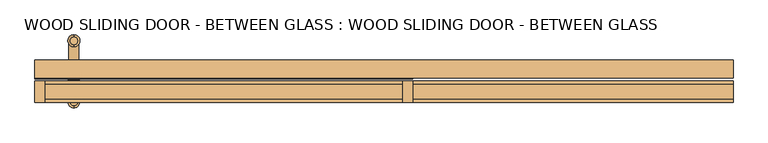
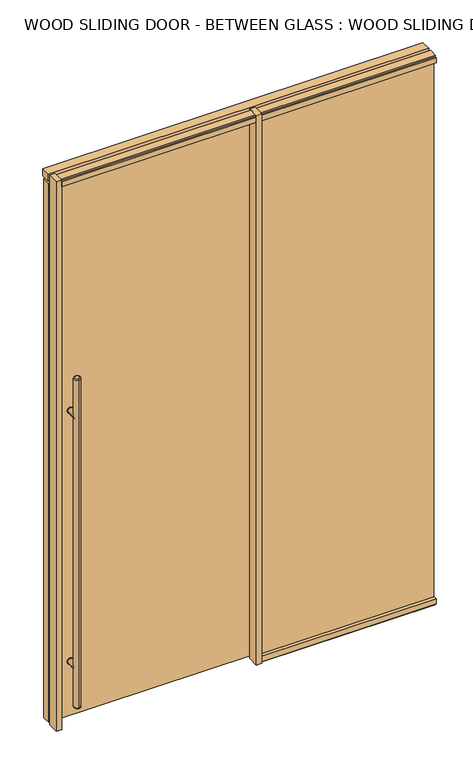
"""IFC4 building model written with IfcOpenShell, lengths in millimetres: door geometry, WOOD SLIDING DOOR - BETWEEN GLASS : WOOD SLIDING DOOR - BETWEEN GLASS."""

from ifc_helpers import new_model, si_unit, point, frame, frame_2d, origin, origin_with_axes, place, context, project, spatial, polyline, circle_curve, ellipse_curve, trimmed, segment, composite_curve, outline, extrude, source, transform, mapped, element, save
from ifc_brep_helpers import plane_surface, cylinder_surface, revolved_surface, advanced_brep


def wood_sliding_door_between_glass_wood_sliding_door_between_65491f90(model_context):
    return source(origin(), model_context, "Body", "SolidModel", [
        extrude(outline(composite_curve([segment(trimmed(circle_curve(frame_2d((312.7375, -885.825)), 15.875), [point((312.7375, -901.7))], [point((312.7375, -869.95))], False, "CARTESIAN"), True, "CONTINUOUS"), segment(trimmed(circle_curve(frame_2d((312.7375, -885.825)), 15.875), [point((312.7375, -869.95))], [point((312.7375, -901.7))], False, "CARTESIAN"), True, "CONTINUOUS")], self_intersect=False)), frame((0.0, 33.3375, 0.0), z_axis=(0.0, 1.0, 0.0), x_axis=(0.0, 0.0, 1.0)), (0.0, 0.0, 1.0), 3.175),
        extrude(outline(composite_curve([segment(trimmed(circle_curve(frame_2d((1703.3875, -885.825)), 15.875), [point((1703.3875, -869.95))], [point((1703.3875, -901.7))], False, "CARTESIAN"), True, "CONTINUOUS"), segment(trimmed(circle_curve(frame_2d((1703.3875, -885.825)), 15.875), [point((1703.3875, -901.7))], [point((1703.3875, -869.95))], False, "CARTESIAN"), True, "CONTINUOUS")], self_intersect=False)), frame((0.0, 33.3375, 0.0), z_axis=(0.0, 1.0, 0.0), x_axis=(0.0, 0.0, 1.0)), (0.0, 0.0, 1.0), 3.175),
        extrude(outline(composite_curve([segment(trimmed(circle_curve(frame_2d((312.7375, -885.825)), 15.875), [point((312.7375, -901.7))], [point((312.7375, -869.95))], False, "CARTESIAN"), True, "CONTINUOUS"), segment(trimmed(circle_curve(frame_2d((312.7375, -885.825)), 15.875), [point((312.7375, -869.95))], [point((312.7375, -901.7))], False, "CARTESIAN"), True, "CONTINUOUS")], self_intersect=False)), frame((0.0, 80.9625, 0.0), z_axis=(0.0, 1.0, 0.0), x_axis=(0.0, 0.0, 1.0)), (0.0, 0.0, 1.0), 3.175),
        extrude(outline(composite_curve([segment(trimmed(circle_curve(frame_2d((1703.3875, -885.825)), 15.875), [point((1703.3875, -901.7))], [point((1703.3875, -869.95))], False, "CARTESIAN"), True, "CONTINUOUS"), segment(trimmed(circle_curve(frame_2d((1703.3875, -885.825)), 15.875), [point((1703.3875, -869.95))], [point((1703.3875, -901.7))], False, "CARTESIAN"), True, "CONTINUOUS")], self_intersect=False)), frame((0.0, 80.9625, 0.0), z_axis=(0.0, 1.0, 0.0), x_axis=(0.0, 0.0, 1.0)), (0.0, 0.0, 1.0), 3.175),
        extrude(outline(composite_curve([segment(trimmed(circle_curve(frame_2d((312.7375, -885.825)), 14.2875), [point((312.7375, -871.5375))], [point((312.7375, -900.1125))], False, "CARTESIAN"), True, "CONTINUOUS"), segment(trimmed(circle_curve(frame_2d((312.7375, -885.825)), 14.2875), [point((312.7375, -900.1125))], [point((312.7375, -871.5375))], False, "CARTESIAN"), True, "CONTINUOUS")], self_intersect=False)), frame((0.0, 80.9625, 0.0), z_axis=(0.0, 1.0, 0.0), x_axis=(0.0, 0.0, 1.0)), (0.0, 0.0, 1.0), 65.0875),
        extrude(outline(composite_curve([segment(trimmed(circle_curve(frame_2d((1703.3875, -885.825)), 14.2875), [point((1703.3875, -871.5375))], [point((1703.3875, -900.1125))], False, "CARTESIAN"), True, "CONTINUOUS"), segment(trimmed(circle_curve(frame_2d((1703.3875, -885.825)), 14.2875), [point((1703.3875, -900.1125))], [point((1703.3875, -871.5375))], False, "CARTESIAN"), True, "CONTINUOUS")], self_intersect=False)), frame((0.0, 80.9625, 0.0), z_axis=(0.0, 1.0, 0.0), x_axis=(0.0, 0.0, 1.0)), (0.0, 0.0, 1.0), 65.0875),
        advanced_brep(
        [(-885.825, -17.78, 1924.05), (-885.825, -39.37, 1924.05), (-885.825, -39.37, 95.25), (-885.825, -17.78, 95.25), (-885.825, -45.72, 101.6), (-885.825, -11.43, 101.6), (-885.825, -11.43, 1917.7), (-885.825, -45.72, 1917.7)],
        [
            (0, 1, circle_curve(frame((-885.825, -28.575, 1924.05), z_axis=(0.0, 0.0, 1.0), x_axis=(0.0, 1.0, 0.0)), 10.795)),
            (1, 0, circle_curve(frame((-885.825, -28.575, 1924.05), z_axis=(0.0, 0.0, 1.0), x_axis=(0.0, 1.0, 0.0)), 10.795)),
            (2, 3, circle_curve(frame((-885.825, -28.575, 95.25), z_axis=(0.0, 0.0, -1.0), x_axis=(0.0, 1.0, 0.0)), 10.795)),
            (3, 2, circle_curve(frame((-885.825, -28.575, 95.25), z_axis=(0.0, 0.0, -1.0), x_axis=(0.0, 1.0, 0.0)), 10.795)),
            (4, 5, circle_curve(frame((-885.825, -28.575, 101.6), z_axis=(0.0, 0.0, 1.0), x_axis=(0.0, 1.0, 0.0)), 17.145)),
            (5, 6),
            (6, 7, circle_curve(frame((-885.825, -28.575, 1917.7), z_axis=(0.0, 0.0, -1.0), x_axis=(0.0, 1.0, 0.0)), 17.145)),
            (7, 4),
            (5, 4, circle_curve(frame((-885.825, -28.575, 101.6), z_axis=(0.0, 0.0, 1.0), x_axis=(0.0, 1.0, 0.0)), 17.145)),
            (7, 6, circle_curve(frame((-885.825, -28.575, 1917.7), z_axis=(0.0, 0.0, -1.0), x_axis=(0.0, 1.0, 0.0)), 17.145)),
            (2, 4, circle_curve(frame((-885.825, -39.37, 101.6), z_axis=(-1.0, 0.0, 0.0), x_axis=(0.0, -1.0, 0.0)), 6.35)),
            (5, 3, circle_curve(frame((-885.825, -17.78, 101.6), z_axis=(-1.0, 0.0, 0.0), x_axis=(0.0, 1.0, 0.0)), 6.35)),
            (7, 1, circle_curve(frame((-885.825, -39.37, 1917.7), z_axis=(-1.0, 0.0, 0.0), x_axis=(0.0, -1.0, 0.0)), 6.35)),
            (0, 6, circle_curve(frame((-885.825, -17.78, 1917.7), z_axis=(-1.0, 0.0, 0.0), x_axis=(0.0, 1.0, 0.0)), 6.35)),
        ],
        [
            plane_surface(frame((-885.825, 163.195, 1924.05), z_axis=(0.0, 0.0, 1.0), x_axis=(-1.0, 0.0, 0.0))),
            plane_surface(frame((-885.825, 163.195, 95.25), z_axis=(0.0, 0.0, -1.0), x_axis=(1.0, 0.0, 0.0))),
            cylinder_surface(frame((-885.825, -28.575, 95.25), z_axis=(0.0, 0.0, 1.0), x_axis=(0.0, 1.0, 0.0)), 17.145),
            revolved_surface(trimmed(ellipse_curve(frame((-885.825, -17.78, 101.6), z_axis=(1.0, 0.0, 0.0), x_axis=(0.0, 1.0, 0.0)), 6.35, 6.35), [point((-885.825, -17.78, 95.25))], [point((-885.825, -11.43, 101.6))], True, "CARTESIAN"), (-885.825, -28.575, 2533.65), (0.0, 0.0, 1.0)),
            revolved_surface(trimmed(ellipse_curve(frame((-885.825, -17.78, 1917.7), z_axis=(1.0, 0.0, 0.0), x_axis=(0.0, 1.0, 0.0)), 6.35, 6.35), [point((-885.825, -11.43, 1917.7))], [point((-885.825, -17.78, 1924.05))], True, "CARTESIAN"), (-885.825, -28.575, -514.35), (0.0, 0.0, 1.0)),
        ],
        [
            (0, [[1, 2]]),
            (1, [[3, 4]]),
            (2, [[5, 6, 7, 8]]),
            (2, [[9, -8, 10, -6]]),
            (3, [[11, -9, 12, -3]]),
            (3, [[-11, -4, -12, -5]]),
            (4, [[13, -1, 14, -10]]),
            (4, [[-13, -7, -14, -2]]),
        ],
    ),
        advanced_brep(
        [(-885.825, 156.845, 1924.05), (-885.825, 135.255, 1924.05), (-885.825, 135.255, 95.25), (-885.825, 156.845, 95.25), (-885.825, 128.905, 101.6), (-885.825, 163.195, 101.6), (-885.825, 163.195, 1917.7), (-885.825, 128.905, 1917.7)],
        [
            (0, 1, circle_curve(frame((-885.825, 146.05, 1924.05), z_axis=(0.0, 0.0, 1.0), x_axis=(0.0, -1.0, 0.0)), 10.795)),
            (1, 0, circle_curve(frame((-885.825, 146.05, 1924.05), z_axis=(0.0, 0.0, 1.0), x_axis=(0.0, -1.0, 0.0)), 10.795)),
            (2, 3, circle_curve(frame((-885.825, 146.05, 95.25), z_axis=(0.0, 0.0, -1.0), x_axis=(0.0, -1.0, 0.0)), 10.795)),
            (3, 2, circle_curve(frame((-885.825, 146.05, 95.25), z_axis=(0.0, 0.0, -1.0), x_axis=(0.0, -1.0, 0.0)), 10.795)),
            (4, 5, circle_curve(frame((-885.825, 146.05, 101.6), z_axis=(0.0, 0.0, 1.0), x_axis=(0.0, 1.0, 0.0)), 17.145)),
            (5, 6),
            (6, 7, circle_curve(frame((-885.825, 146.05, 1917.7), z_axis=(0.0, 0.0, -1.0), x_axis=(0.0, 1.0, 0.0)), 17.145)),
            (7, 4),
            (5, 4, circle_curve(frame((-885.825, 146.05, 101.6), z_axis=(0.0, 0.0, 1.0), x_axis=(0.0, 1.0, 0.0)), 17.145)),
            (7, 6, circle_curve(frame((-885.825, 146.05, 1917.7), z_axis=(0.0, 0.0, -1.0), x_axis=(0.0, 1.0, 0.0)), 17.145)),
            (5, 3, circle_curve(frame((-885.825, 156.845, 101.6), z_axis=(-1.0, 0.0, 0.0), x_axis=(0.0, 1.0, 0.0)), 6.35)),
            (2, 4, circle_curve(frame((-885.825, 135.255, 101.6), z_axis=(-1.0, 0.0, 0.0), x_axis=(0.0, -1.0, 0.0)), 6.35)),
            (0, 6, circle_curve(frame((-885.825, 156.845, 1917.7), z_axis=(-1.0, 0.0, 0.0), x_axis=(0.0, 1.0, 0.0)), 6.35)),
            (7, 1, circle_curve(frame((-885.825, 135.255, 1917.7), z_axis=(-1.0, 0.0, 0.0), x_axis=(0.0, -1.0, 0.0)), 6.35)),
        ],
        [
            plane_surface(frame((-885.825, 163.195, 1924.05), z_axis=(0.0, 0.0, 1.0), x_axis=(-1.0, 0.0, 0.0))),
            plane_surface(frame((-885.825, 163.195, 95.25), z_axis=(0.0, 0.0, -1.0), x_axis=(1.0, 0.0, 0.0))),
            cylinder_surface(frame((-885.825, 146.05, 95.25), z_axis=(0.0, 0.0, 1.0), x_axis=(0.0, 1.0, 0.0)), 17.145),
            revolved_surface(trimmed(ellipse_curve(frame((-885.825, 135.255, 101.6), z_axis=(1.0, 0.0, 0.0), x_axis=(0.0, -1.0, 0.0)), 6.35, 6.35), [point((-885.825, 128.905, 101.6))], [point((-885.825, 135.255, 95.25))], True, "CARTESIAN"), (-885.825, 146.05, 2533.65), (0.0, 0.0, -1.0)),
            revolved_surface(trimmed(ellipse_curve(frame((-885.825, 135.255, 1917.7), z_axis=(1.0, 0.0, 0.0), x_axis=(0.0, -1.0, 0.0)), 6.35, 6.35), [point((-885.825, 135.255, 1924.05))], [point((-885.825, 128.905, 1917.7))], True, "CARTESIAN"), (-885.825, 146.05, -514.35), (0.0, 0.0, -1.0)),
        ],
        [
            (0, [[1, 2]]),
            (1, [[3, 4]]),
            (2, [[5, 6, 7, 8]]),
            (2, [[9, -8, 10, -6]]),
            (3, [[11, -3, 12, -9]]),
            (3, [[-11, -5, -12, -4]]),
            (4, [[13, -10, 14, -1]]),
            (4, [[-13, -2, -14, -7]]),
        ],
    ),
        extrude(outline(composite_curve([segment(trimmed(circle_curve(frame_2d((312.7375, -885.825)), 14.2875), [point((312.7375, -871.5375))], [point((312.7375, -900.1125))], False, "CARTESIAN"), True, "CONTINUOUS"), segment(trimmed(circle_curve(frame_2d((312.7375, -885.825)), 14.2875), [point((312.7375, -900.1125))], [point((312.7375, -871.5375))], False, "CARTESIAN"), True, "CONTINUOUS")], self_intersect=False)), frame((0.0, -28.575, 0.0), z_axis=(0.0, 1.0, 0.0), x_axis=(0.0, 0.0, 1.0)), (0.0, 0.0, 1.0), 65.0875),
        extrude(outline(composite_curve([segment(trimmed(circle_curve(frame_2d((1703.3875, -885.825)), 14.2875), [point((1703.3875, -871.5375))], [point((1703.3875, -900.1125))], False, "CARTESIAN"), True, "CONTINUOUS"), segment(trimmed(circle_curve(frame_2d((1703.3875, -885.825)), 14.2875), [point((1703.3875, -900.1125))], [point((1703.3875, -871.5375))], False, "CARTESIAN"), True, "CONTINUOUS")], self_intersect=False)), frame((0.0, -28.575, 0.0), z_axis=(0.0, 1.0, 0.0), x_axis=(0.0, 0.0, 1.0)), (0.0, 0.0, 1.0), 65.0875),
        extrude(outline(polyline([(996.95, 6.35), (996.95, -6.35), (82.5231001, -6.35), (82.5231001, 6.35), (996.95, 6.35)])), origin_with_axes(), (0.0, 0.0, 1.0), 3044.825),
        extrude(outline(polyline([(82.5231001, 30.1625), (82.5231001, -30.1625), (53.9481001, -30.1625), (53.9481001, 30.1625), (82.5231001, 30.1625)])), origin_with_axes(), (0.0, 0.0, 1.0), 3048.0),
        extrude(outline(polyline([(-968.375, 30.1625), (-968.375, -30.1625), (-996.95, -30.1625), (-996.95, 30.1625), (-968.375, 30.1625)])), origin_with_axes(), (0.0, 0.0, 1.0), 3048.0),
        extrude(outline(polyline([(82.5231001, 80.9625), (82.5231001, 36.5125), (-996.95, 36.5125), (-996.95, 80.9625), (82.5231001, 80.9625)])), frame((0.0, 0.0, 9.525), z_axis=(0.0, 0.0, 1.0), x_axis=(1.0, 0.0, 0.0)), (0.0, 0.0, 1.0), 2987.675),
        extrude(outline(polyline([(20.6375, 3048.0), (20.6375, 3038.475), (30.1625, 3038.475), (30.1625, 3009.9), (11.1125, 3009.9), (11.1125, 3044.825), (-11.1125, 3044.825), (-11.1125, 3009.9), (-30.1625, 3009.9), (-30.1625, 3038.475), (-20.6375, 3038.475), (-20.6375, 3048.0), (20.6375, 3048.0)])), frame((-968.375, 0.0, 0.0), z_axis=(1.0, 0.0, 0.0), x_axis=(0.0, 1.0, 0.0)), (0.0, 0.0, 1.0), 1022.3231001),
        extrude(outline(polyline([(996.95, 90.4875), (996.95, 39.6875), (-996.95, 39.6875), (-996.95, 90.4875), (996.95, 90.4875)])), frame((0.0, 0.0, 3009.9), z_axis=(0.0, 0.0, 1.0), x_axis=(1.0, 0.0, 0.0)), (0.0, 0.0, 1.0), 38.1),
        extrude(outline(polyline([(-30.1625, 3038.475), (-20.6375, 3038.475), (-20.6375, 3048.0), (20.6375, 3048.0), (20.6375, 3038.475), (30.1625, 3038.475), (30.1625, 3009.9), (11.1125, 3009.9), (11.1125, 3044.825), (-11.1125, 3044.825), (-11.1125, 3009.9), (-30.1625, 3009.9), (-30.1625, 3038.475)])), frame((82.5231001, 0.0, 0.0), z_axis=(1.0, 0.0, 0.0), x_axis=(0.0, 1.0, 0.0)), (0.0, 0.0, 1.0), 914.4268999),
        extrude(outline(polyline([(30.1625, 9.525), (20.6375, 9.525), (20.6375, 0.0), (-20.6375, 0.0), (-20.6375, 9.525), (-30.1625, 9.525), (-30.1625, 38.1), (-11.1125, 38.1), (-11.1125, 3.175), (11.1125, 3.175), (11.1125, 38.1), (30.1625, 38.1), (30.1625, 9.525)])), frame((82.5231001, 0.0, 0.0), z_axis=(1.0, 0.0, 0.0), x_axis=(0.0, 1.0, 0.0)), (0.0, 0.0, 1.0), 914.4268999),
    ])


if __name__ == "__main__":
    model = new_model("IFC4")
    model_context = context("Model", 3, world=origin())
    ifc_project = project(units=[si_unit("LENGTHUNIT", "METRE", prefix="MILLI")], contexts=[model_context])
    site = spatial("IfcSite", under=ifc_project)
    building = spatial("IfcBuilding", under=site)
    placement = place(None, origin())
    wood_sliding_door_between_glass_wood_sliding_door_between_shape = wood_sliding_door_between_glass_wood_sliding_door_between_65491f90(model_context)
    element("IfcDoor", 1, ObjectType="WOOD SLIDING DOOR - BETWEEN GLASS : WOOD SLIDING DOOR - BETWEEN GLASS", at=placement, inside=building, context=model_context, shape_type="MappedRepresentation", body=[
        mapped(wood_sliding_door_between_glass_wood_sliding_door_between_shape, transform((0.0, 0.0, 0.0), x_axis=(1.0, 0.0, 0.0), y_axis=(0.0, 1.0, 0.0), z_axis=(0.0, 0.0, 1.0))),
    ])
    save(model, "model.ifc")
